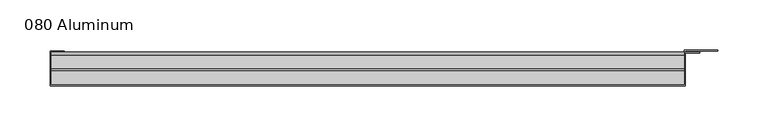
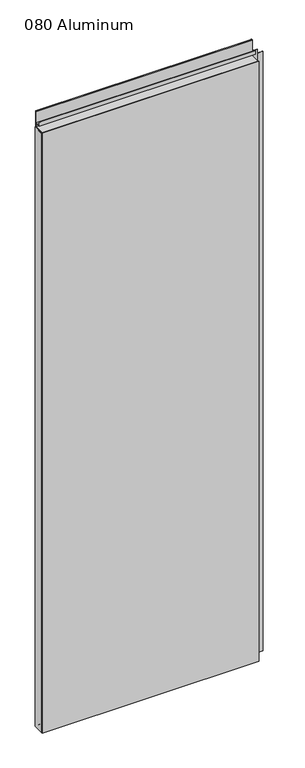
"""IFC4 building model written with IfcOpenShell, lengths in millimetres: plate geometry, 080 Aluminum."""

from ifc_helpers import new_model, si_unit, point, frame, frame_2d, origin, origin_with_axes, place, context, project, spatial, polyline, circle_curve, trimmed, segment, composite_curve, outline, extrude, source, transform, mapped, element, save


def plate_080_aluminum_5e88caad(model_context):
    return source(origin(), model_context, "Body", "SweptSolid", [
        extrude(outline(polyline([(-322.58, -2.5660257), (-322.58, -34.7980001), (-323.8499999, -34.7980001), (-323.8499999, -1.2699999), (-309.6894994, -1.2699999), (-309.6894994, -2.5660257), (-322.58, -2.5660257)])), origin_with_axes(), (0.0, 0.0, 1.0), 1852.93),
        extrude(outline(composite_curve([segment(polyline([(-16.6765477, 13.1458337), (-16.6765477, 2.786437), (-17.9464915, 2.786437), (-17.9464915, 13.1323356)]), True, "CONTINUOUS"), segment(trimmed(circle_curve(frame_2d((-19.8514743, 13.124237)), 1.905), [point((-17.9464915, 13.1323356))], [point((-21.7564743, 13.124237))], True, "CARTESIAN"), True, "CONTINUOUS"), segment(polyline([(-21.7564743, 13.124237), (-21.7564743, 0.0), (-34.7980002, 0.0), (-34.7980002, 1.2693678), (-23.0264743, 1.2693678), (-23.0264743, 13.124237)]), True, "CONTINUOUS"), segment(trimmed(circle_curve(frame_2d((-19.8514743, 13.124237)), 3.175), [point((-23.0264743, 13.124237))], [point((-16.6765477, 13.1458337))], False, "CARTESIAN"), True, "CONTINUOUS")], self_intersect=False)), frame((-322.58, 0.0, 0.0), z_axis=(1.0, 0.0, 0.0), x_axis=(0.0, 1.0, 0.0)), (0.0, 0.0, 1.0), 632.46),
        extrude(outline(composite_curve([segment(polyline([(-2.0574743, 1901.3932001), (-2.0574743, 1852.93), (-34.7980002, 1852.93), (-34.7980002, 1854.2000001), (-3.3274743, 1854.2000001), (-3.3274743, 1901.3932001)]), True, "CONTINUOUS"), segment(trimmed(circle_curve(frame_2d((-3.7084742, 1901.3932001)), 0.3809999), [point((-3.3274743, 1901.3932001))], [point((-4.0894742, 1901.3932001))], True, "CARTESIAN"), True, "CONTINUOUS"), segment(polyline([(-4.0894742, 1901.3932001), (-4.0894742, 1866.9), (-20.4864742, 1866.9), (-20.4864742, 1878.2538), (-19.2164743, 1878.2538), (-19.2164743, 1868.17), (-5.3594742, 1868.17), (-5.3594742, 1901.3932001)]), True, "CONTINUOUS"), segment(trimmed(circle_curve(frame_2d((-3.7084742, 1901.3932001)), 1.6509999), [point((-5.3594742, 1901.3932001))], [point((-2.0574743, 1901.3932001))], False, "CARTESIAN"), True, "CONTINUOUS")], self_intersect=False)), frame((-322.58, 0.0, 0.0), z_axis=(1.0, 0.0, 0.0), x_axis=(0.0, 1.0, 0.0)), (0.0, 0.0, 1.0), 632.46),
        extrude(outline(polyline([(-323.85, -36.068), (-323.85, -34.7980001), (311.15, -34.7980001), (311.15, -36.068), (-323.85, -36.068)])), origin_with_axes(), (0.0, 0.0, 1.0), 1854.2),
        extrude(outline(polyline([(311.15, -1.2699999), (311.15, -34.7980002), (309.8800001, -34.7980002), (309.8800001, 0.0), (343.6620856, 0.0), (343.6620856, -1.2699999), (311.15, -1.2699999)])), origin_with_axes(), (0.0, 0.0, 1.0), 1852.93),
        extrude(outline(polyline([(309.88, -3.3274743), (309.88, -2.0574743), (325.6279999, -2.0574743), (325.6279999, -3.3274743), (309.88, -3.3274743)])), origin_with_axes(), (0.0, 0.0, 1.0), 1866.9),
    ])


if __name__ == "__main__":
    model = new_model("IFC4")
    model_context = context("Model", 3, world=origin())
    ifc_project = project(units=[si_unit("LENGTHUNIT", "METRE", prefix="MILLI")], contexts=[model_context])
    site = spatial("IfcSite", under=ifc_project)
    building = spatial("IfcBuilding", under=site)
    placement = place(None, origin())
    plate_080_aluminum_shape = plate_080_aluminum_5e88caad(model_context)
    element("IfcPlate", 1, ObjectType="080 Aluminum", at=placement, inside=building, context=model_context, shape_type="MappedRepresentation", body=[
        mapped(plate_080_aluminum_shape, transform((0.0, 0.0, 0.0), x_axis=(1.0, 0.0, 0.0), y_axis=(0.0, 1.0, 0.0), z_axis=(0.0, 0.0, 1.0))),
    ])
    save(model, "model.ifc")
